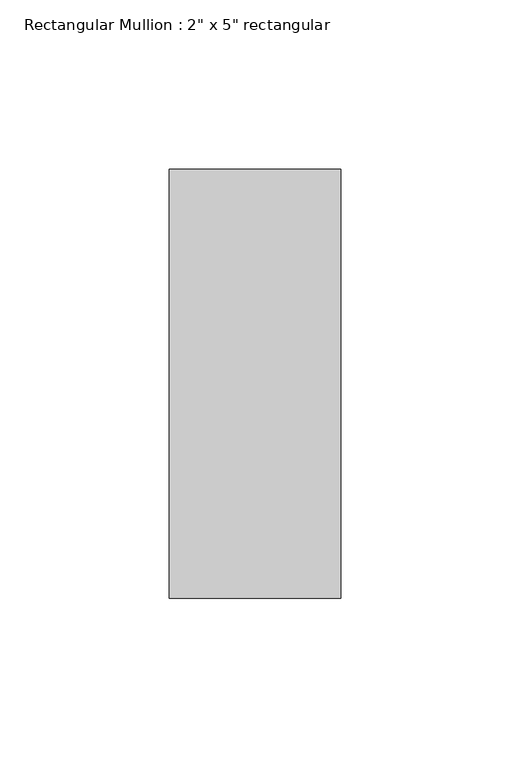
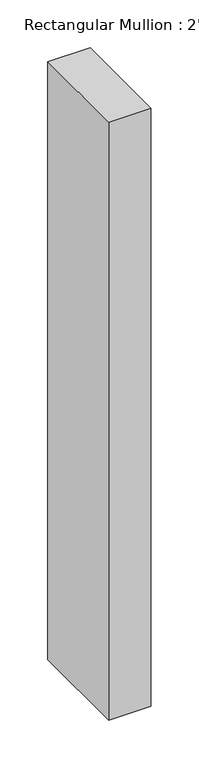
"""IFC4 building model written with IfcOpenShell, lengths in millimetres: member geometry."""

from ifc_helpers import new_model, si_unit, frame, origin, place, context, project, spatial, polyline, outline, extrude, source, transform, mapped, element, save


def member_43789b87(model_context):
    return source(origin(), model_context, "Body", "SweptSolid", [
        extrude(outline(polyline([(25.4, 63.5), (25.4, -63.5), (-25.4, -63.5), (-25.4, 63.5), (25.4, 63.5)])), frame((0.0, 0.0, -762.0), z_axis=(0.0, 0.0, 1.0), x_axis=(1.0, 0.0, 0.0)), (0.0, 0.0, 1.0), 762.0),
    ])


if __name__ == "__main__":
    model = new_model("IFC4")
    model_context = context("Model", 3, world=origin())
    ifc_project = project(units=[si_unit("LENGTHUNIT", "METRE", prefix="MILLI")], contexts=[model_context])
    site = spatial("IfcSite", under=ifc_project)
    building = spatial("IfcBuilding", under=site)
    placement = place(None, origin())
    member_shape = member_43789b87(model_context)
    element("IfcMember", 1, ObjectType="Rectangular Mullion : 2\" x 5\" rectangular", at=placement, inside=building, context=model_context, shape_type="MappedRepresentation", body=[
        mapped(member_shape, transform((0.0, 0.0, 0.0), x_axis=(1.0, 0.0, 0.0), y_axis=(0.0, 1.0, 0.0), z_axis=(0.0, 0.0, 1.0))),
    ])
    save(model, "model.ifc")
